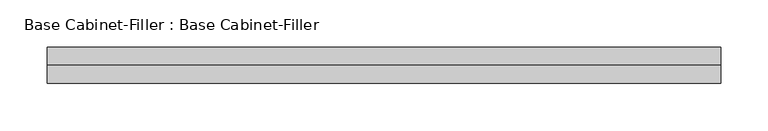
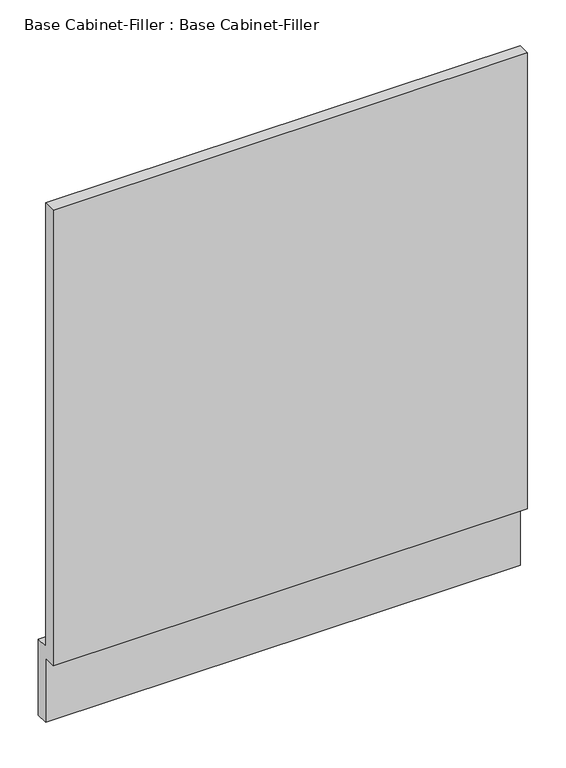
"""IFC4 building model written with IfcOpenShell, lengths in millimetres: furniture geometry, Base Cabinet-Filler : Base Cabinet-Filler."""

from ifc_helpers import new_model, si_unit, frame, origin, place, context, project, spatial, polyline, outline, extrude, source, transform, mapped, element, save


def base_cabinet_filler_base_cabinet_filler_d7fa440d(model_context):
    return source(origin(), model_context, "Body", "SweptSolid", [
        extrude(outline(polyline([(-590.55, 101.6), (-590.55, 825.5), (-571.5, 825.5), (-571.5, 120.65), (-552.45, 120.65), (-552.45, 0.0), (-571.5, 0.0), (-571.5, 101.6), (-590.55, 101.6)])), frame((-337.7300751, 0.0, 0.0), z_axis=(1.0, 0.0, 0.0), x_axis=(0.0, 1.0, 0.0)), (0.0, 0.0, 1.0), 712.93556),
    ])


if __name__ == "__main__":
    model = new_model("IFC4")
    model_context = context("Model", 3, world=origin())
    ifc_project = project(units=[si_unit("LENGTHUNIT", "METRE", prefix="MILLI")], contexts=[model_context])
    site = spatial("IfcSite", under=ifc_project)
    building = spatial("IfcBuilding", under=site)
    placement = place(None, origin())
    base_cabinet_filler_base_cabinet_filler_shape = base_cabinet_filler_base_cabinet_filler_d7fa440d(model_context)
    element("IfcFurniture", 1, ObjectType="Base Cabinet-Filler : Base Cabinet-Filler", at=placement, inside=building, context=model_context, shape_type="MappedRepresentation", body=[
        mapped(base_cabinet_filler_base_cabinet_filler_shape, transform((0.0, 0.0, 0.0), x_axis=(1.0, 0.0, 0.0), y_axis=(0.0, 1.0, 0.0), z_axis=(0.0, 0.0, 1.0))),
    ])
    save(model, "model.ifc")
